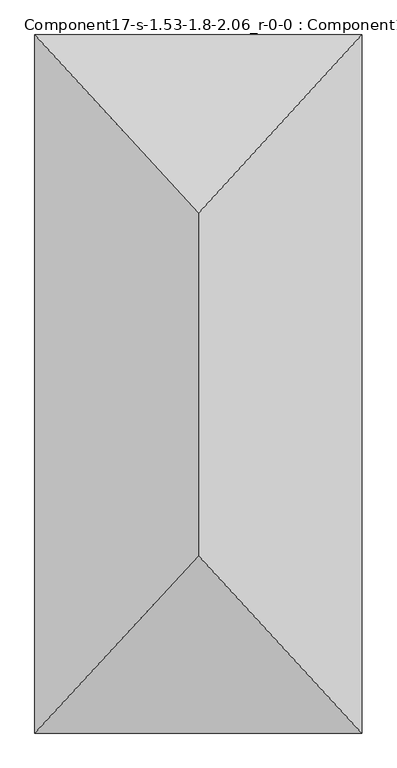
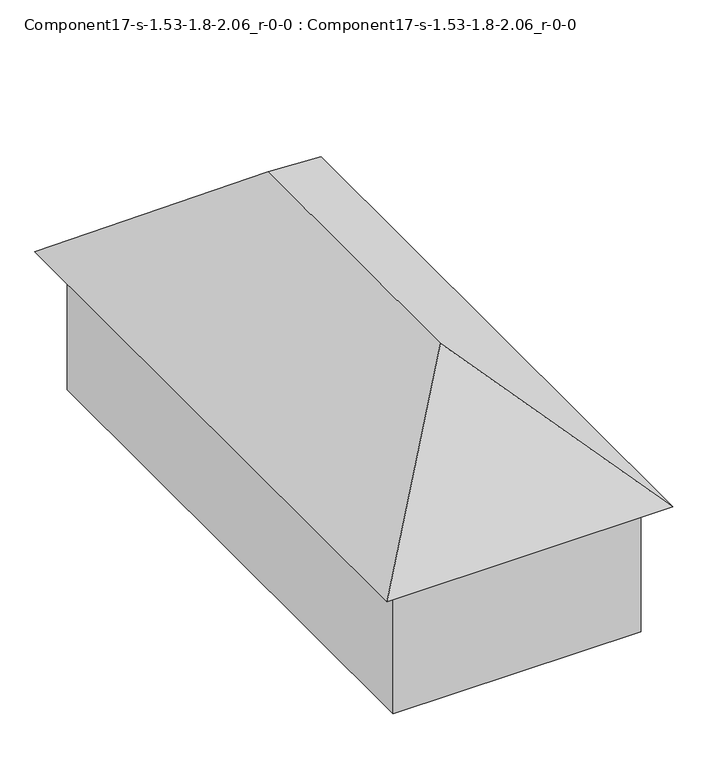
"""IFC4 building model written with IfcOpenShell, lengths in millimetres: geographic element geometry, Component17-s-1.53-1.8-2.06_r-0-0 : Component17-s-1.53-1.8-2.06_r-0-0."""

import ifcopenshell
import ifcopenshell.guid

model = None  # the IFC model being written
_history = None  # IfcOwnerHistory: only IFC2X3 demands one
_inside = {}  # id of a spatial element -> (the spatial element, [elements in it])
_under = {}  # id of a project, library or spatial element -> (it, [spatial elements below it])
_declared = {}  # id of a project -> (the project, [libraries it declares])
_typed = {}  # id of a type object -> (the type object, [elements of that type])
_made_of = {}  # id of a material, layer set ... -> (it, [elements and type objects made of it])


def new_model(schema):
    """Start an empty IFC model of exactly this schema.

    Asked for "IFC4X3", IfcOpenShell would pick the latest addendum, in which some entities
    have other attributes; the version numbers below select the first issue.
    IFC2X3 requires an IfcOwnerHistory on every rooted entity: one is made here for all.
    """
    global model, _history
    if schema == "IFC4X3":
        model = ifcopenshell.file(schema_version=(4, 3, 0, 0))
    else:
        model = ifcopenshell.file(schema=schema)
    _inside.clear()
    _under.clear()
    _declared.clear()
    _typed.clear()
    _made_of.clear()
    _history = None
    if model.schema == "IFC2X3":
        org = make("IfcOrganization", Name="unknown")
        user = make(
            "IfcPersonAndOrganization",
            ThePerson=make("IfcPerson", FamilyName="unknown"),
            TheOrganization=org,
        )
        app = make(
            "IfcApplication",
            ApplicationDeveloper=org,
            Version="unknown",
            ApplicationFullName="unknown",
            ApplicationIdentifier="unknown",
        )
        _history = make(
            "IfcOwnerHistory",
            OwningUser=user,
            OwningApplication=app,
            ChangeAction="ADDED",
            CreationDate=0,
        )
    return model


def make(cls, **values):
    """One entity of the class cls with the attributes given. An attribute that is None is left unset."""
    return model.create_entity(
        cls, **{name: value for name, value in values.items() if value is not None}
    )


def rooted(cls, **values):
    """An entity with a GlobalId (a new one), such as an element, a storey or a relation."""
    return make(cls, GlobalId=ifcopenshell.guid.new(), OwnerHistory=_history, **values)


def si_unit(unit_type, name, prefix=None):
    """IfcSIUnit, for example si_unit("LENGTHUNIT", "METRE", prefix="MILLI")."""
    return make("IfcSIUnit", UnitType=unit_type, Prefix=prefix, Name=name)


def assignment(units):
    """IfcUnitAssignment: the units of a project."""
    return None if units is None else make("IfcUnitAssignment", Units=units)


def point(xyz):
    """IfcCartesianPoint."""
    return None if xyz is None else make("IfcCartesianPoint", Coordinates=xyz)


def direction(xyz):
    """IfcDirection."""
    return None if xyz is None else make("IfcDirection", DirectionRatios=xyz)


def frame(location, z_axis=None, x_axis=None):
    """IfcAxis2Placement3D, a coordinate frame: its origin and axes. An axis left out is left unset."""
    return make(
        "IfcAxis2Placement3D",
        Location=point(location),
        Axis=direction(z_axis),
        RefDirection=direction(x_axis),
    )


def origin():
    """The frame at (0, 0, 0) with its axes left unset."""
    return frame((0.0, 0.0, 0.0))


def place(relative_to, where):
    """IfcLocalPlacement: puts the frame where relative to a parent placement (None: the world)."""
    return make(
        "IfcLocalPlacement", PlacementRelTo=relative_to, RelativePlacement=where
    )


def context(
    kind, dimensions, precision=None, world=None, true_north=None, identifier=None
):
    """IfcGeometricRepresentationContext, for example the 3D "Model" context."""
    return make(
        "IfcGeometricRepresentationContext",
        ContextIdentifier=identifier,
        ContextType=kind,
        CoordinateSpaceDimension=dimensions,
        Precision=precision,
        WorldCoordinateSystem=world,
        TrueNorth=true_north,
    )


def project(units=None, contexts=None):
    """IfcProject with its units and contexts."""
    return rooted(
        "IfcProject",
        Name="project",
        RepresentationContexts=contexts,
        UnitsInContext=assignment(units),
    )


def spatial(cls, under=None, at=None, **own):
    """A site, building, storey or space (cls), placed at a placement, below another one or the project."""
    s = rooted(cls, ObjectPlacement=at, **own)
    if under is not None:
        _under.setdefault(under.id(), (under, []))[1].append(s)
    return s


def point_list(points):
    """IfcCartesianPointList2D or 3D."""
    cls = (
        "IfcCartesianPointList2D" if len(points[0]) == 2 else "IfcCartesianPointList3D"
    )
    return make(cls, CoordList=points)


def triangles(points, corners, closed=None, point_numbers=None):
    """IfcTriangulatedFaceSet: each triangle names its three corners, points numbered from 1."""
    return make(
        "IfcTriangulatedFaceSet",
        Coordinates=point_list(points),
        Closed=closed,
        CoordIndex=corners,
        PnIndex=point_numbers,
    )


def shape(context_of_items, identifier, shape_type, items):
    """IfcShapeRepresentation: the items that make up one representation, for example the "Body"."""
    return make(
        "IfcShapeRepresentation",
        ContextOfItems=context_of_items,
        RepresentationIdentifier=identifier,
        RepresentationType=shape_type,
        Items=items,
    )


def source(mapping_origin, context_of_items, identifier, shape_type, items):
    """IfcRepresentationMap: a shape defined once, which mapped items show again and again."""
    return make(
        "IfcRepresentationMap",
        MappingOrigin=mapping_origin,
        MappedRepresentation=shape(context_of_items, identifier, shape_type, items),
    )


def transform(
    local_origin,
    x_axis=None,
    y_axis=None,
    z_axis=None,
    scale=None,
    scale2=None,
    scale3=None,
    uniform=True,
):
    """IfcCartesianTransformationOperator3D, or its non-uniform kind. x_axis, y_axis, z_axis: its Axis1, 2, 3."""
    if uniform:
        return make(
            "IfcCartesianTransformationOperator3D",
            Axis1=direction(x_axis),
            Axis2=direction(y_axis),
            LocalOrigin=point(local_origin),
            Scale=scale,
            Axis3=direction(z_axis),
        )
    return make(
        "IfcCartesianTransformationOperator3DnonUniform",
        Axis1=direction(x_axis),
        Axis2=direction(y_axis),
        LocalOrigin=point(local_origin),
        Scale=scale,
        Axis3=direction(z_axis),
        Scale2=scale2,
        Scale3=scale3,
    )


def mapped(mapping_source, mapping_target):
    """IfcMappedItem: shows the shape of a source again, moved by a transform."""
    return make(
        "IfcMappedItem", MappingSource=mapping_source, MappingTarget=mapping_target
    )


def made_of(thing, what):
    """Note that an element or type object is made of a material, layer set ...; save() writes the relation."""
    if what is not None:
        _made_of.setdefault(what.id(), (what, []))[1].append(thing)
    return thing


def element(
    cls,
    number,
    at=None,
    inside=None,
    cuts=None,
    type_object=None,
    material=None,
    context=None,
    identifier="Body",
    shape_type=None,
    held_by="IfcProductDefinitionShape",
    body=None,
    shapes=None,
    **own,
):
    """One element of the class cls, such as IfcWall. Its Tag is "e" and its number.

    at: its placement. inside: the storey or other place that contains it. cuts: it is an
    opening in that element (IfcRelVoidsElement). A single representation is given by context,
    identifier, shape_type and body (its items); several are given by shapes. held_by: the class
    of the entity that holds the representations. save() writes the other relations.
    """
    e = rooted(cls, Tag="e%d" % number, ObjectPlacement=at, **own)
    if body is not None:
        shapes = [shape(context, identifier, shape_type, body)]
    if shapes is not None:
        e.Representation = make(held_by, Representations=shapes)
    if inside is not None:
        _inside.setdefault(inside.id(), (inside, []))[1].append(e)
    if cuts is not None:
        rooted(
            "IfcRelVoidsElement", RelatingBuildingElement=cuts, RelatedOpeningElement=e
        )
    if type_object is not None:
        _typed.setdefault(type_object.id(), (type_object, []))[1].append(e)
    return made_of(e, material)


def aggregate(whole, parts):
    """IfcRelAggregates: a whole, such as a stair, and the parts it consists of."""
    return rooted("IfcRelAggregates", RelatingObject=whole, RelatedObjects=parts)


def save(model, path):
    """Write the relations noted so far, then the file.

    IfcRelAggregates (storeys below a building ...), IfcRelContainedInSpatialStructure (elements
    in a storey), IfcRelDefinesByType, IfcRelAssociatesMaterial and IfcRelDeclares: one each for
    every whole, place, type object, material and project.
    """
    for whole, parts in _under.values():
        aggregate(whole, parts)
    for where, things in _inside.values():
        rooted(
            "IfcRelContainedInSpatialStructure",
            RelatedElements=things,
            RelatingStructure=where,
        )
    for kind, things in _typed.values():
        rooted("IfcRelDefinesByType", RelatedObjects=things, RelatingType=kind)
    for what, things in _made_of.values():
        rooted("IfcRelAssociatesMaterial", RelatedObjects=things, RelatingMaterial=what)
    for by, libraries in _declared.values():
        rooted("IfcRelDeclares", RelatingContext=by, RelatedDefinitions=libraries)
    model.write(path)


def component17_s_1_53_1_8_2_06_r_0_0_component17_s_1_53_1_8_2_fbf7ac67(model_context):
    return source(origin(), model_context, "Body", "Tessellation", [
        triangles([(4859.3190903, 15428.6547638, 9100.1329102), (9718.6381805, 20731.4485291, 4717.5675682), (0.0, 20731.4485291, 4717.5675682), (9718.6381805, 0.0, 4717.5675682), (4859.3190903, 5268.698172, 9100.1329102), (0.0, 0.0, 4717.5675682), (9065.9698792, 19961.3001892, 4717.5675682), (652.6682287, 19961.3001892, 0.0), (652.6682287, 19961.3001892, 4717.5675682), (9065.9698792, 19961.3001892, 0.0), (9065.9698792, 770.1485579, 0.0), (652.6682287, 770.1485579, 4717.5675682), (652.6682287, 770.1485579, 0.0), (9065.9698792, 770.1485579, 4717.5675682)], [[1, 2, 3], [4, 5, 6], [4, 3, 2], [3, 4, 6], [6, 1, 3], [1, 6, 5], [1, 4, 2], [4, 1, 5], [7, 8, 9], [8, 7, 10], [11, 12, 13], [12, 11, 14], [11, 8, 10], [8, 11, 13], [12, 8, 13], [8, 12, 9], [7, 11, 10], [11, 7, 14], [12, 7, 9], [7, 12, 14]]),
    ])


if __name__ == "__main__":
    model = new_model("IFC4")
    model_context = context("Model", 3, world=origin())
    ifc_project = project(units=[si_unit("LENGTHUNIT", "METRE", prefix="MILLI")], contexts=[model_context])
    site = spatial("IfcSite", under=ifc_project)
    building = spatial("IfcBuilding", under=site)
    placement = place(None, origin())
    component17_s_1_53_1_8_2_06_r_0_0_component17_s_1_53_1_8_2_shape = component17_s_1_53_1_8_2_06_r_0_0_component17_s_1_53_1_8_2_fbf7ac67(model_context)
    element("IfcGeographicElement", 1, ObjectType="Component17-s-1.53-1.8-2.06_r-0-0 : Component17-s-1.53-1.8-2.06_r-0-0", at=placement, inside=building, context=model_context, shape_type="MappedRepresentation", body=[
        mapped(component17_s_1_53_1_8_2_06_r_0_0_component17_s_1_53_1_8_2_shape, transform((0.0, 0.0, 0.0), x_axis=(1.0, 0.0, 0.0), y_axis=(0.0, 1.0, 0.0), z_axis=(0.0, 0.0, 1.0))),
    ])
    save(model, "model.ifc")
